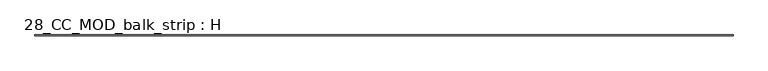
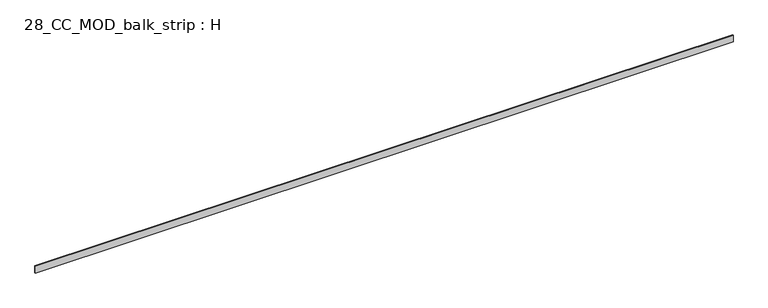
"""IFC4 building model written with IfcOpenShell, lengths in millimetres: beam geometry, 28_CC_MOD_balk_strip : H."""

from ifc_helpers import new_model, si_unit, frame, origin, place, context, project, spatial, polyline, outline, extrude, source, transform, mapped, element, save


def beam_28_cc_mod_balk_strip_h_d30e8507(model_context):
    return source(origin(), model_context, "Body", "SweptSolid", [
        extrude(outline(polyline([(4970.0, 5.0), (4970.0, -5.0), (-4970.0, -5.0), (-4970.0, 5.0), (4970.0, 5.0)])), frame((0.0, 0.0, -50.0), z_axis=(0.0, 0.0, 1.0), x_axis=(1.0, 0.0, 0.0)), (0.0, 0.0, 1.0), 100.0),
    ])


if __name__ == "__main__":
    model = new_model("IFC4")
    model_context = context("Model", 3, world=origin())
    ifc_project = project(units=[si_unit("LENGTHUNIT", "METRE", prefix="MILLI")], contexts=[model_context])
    site = spatial("IfcSite", under=ifc_project)
    building = spatial("IfcBuilding", under=site)
    placement = place(None, origin())
    beam_28_cc_mod_balk_strip_h_shape = beam_28_cc_mod_balk_strip_h_d30e8507(model_context)
    element("IfcBeam", 1, ObjectType="28_CC_MOD_balk_strip : H", at=placement, inside=building, context=model_context, shape_type="MappedRepresentation", body=[
        mapped(beam_28_cc_mod_balk_strip_h_shape, transform((0.0, 0.0, 0.0), x_axis=(1.0, 0.0, 0.0), y_axis=(0.0, 1.0, 0.0), z_axis=(0.0, 0.0, 1.0))),
    ])
    save(model, "model.ifc")
